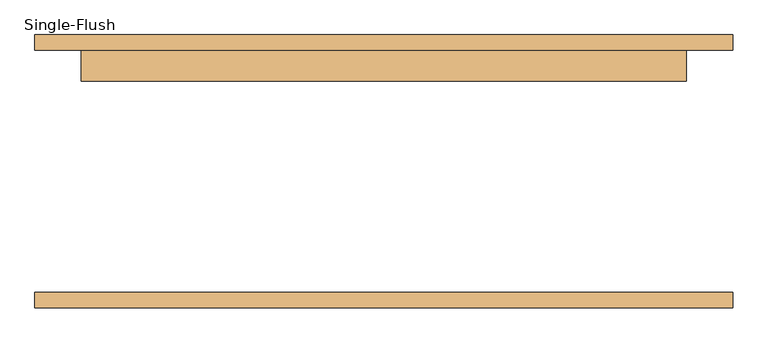
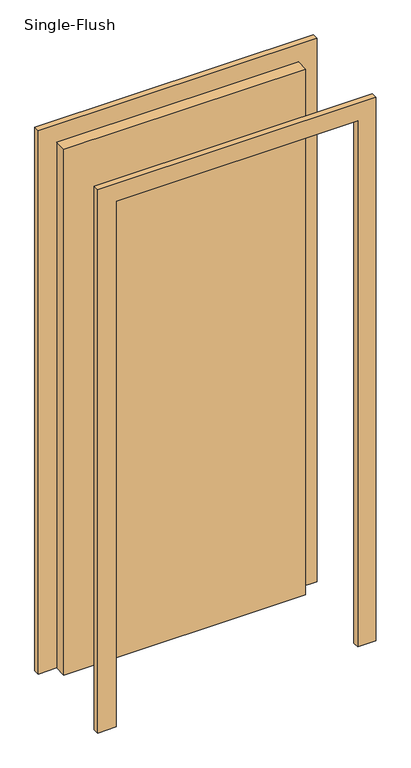
"""IFC4 building model written with IfcOpenShell, lengths in millimetres: door geometry, Single-Flush."""

from ifc_helpers import new_model, si_unit, frame, origin, origin_with_axes, place, context, project, spatial, polyline, outline, extrude, source, transform, mapped, element, save


def single_flush_ac0fe241(model_context):
    return source(origin(), model_context, "Body", "SweptSolid", [
        extrude(outline(polyline([(2376.2, -576.2), (0.0, -576.2), (0.0, -500.0), (2300.0, -500.0), (2300.0, 500.0), (0.0, 500.0), (0.0, 576.2), (2376.2, 576.2), (2376.2, -576.2)])), frame((0.0, 200.0, 0.0), z_axis=(0.0, 1.0, 0.0), x_axis=(0.0, 0.0, 1.0)), (0.0, 0.0, 1.0), 25.4),
        extrude(outline(polyline([(2376.2, 576.2), (2376.2, -576.2), (0.0, -576.2), (0.0, -500.0), (2300.0, -500.0), (2300.0, 500.0), (0.0, 500.0), (0.0, 576.2), (2376.2, 576.2)])), frame((0.0, -225.4, 0.0), z_axis=(0.0, 1.0, 0.0), x_axis=(0.0, 0.0, 1.0)), (0.0, 0.0, 1.0), 25.4),
        extrude(outline(polyline([(500.0, 149.2), (-500.0, 149.2), (-500.0, 200.0), (500.0, 200.0), (500.0, 149.2)])), origin_with_axes(), (0.0, 0.0, 1.0), 2300.0),
    ])


if __name__ == "__main__":
    model = new_model("IFC4")
    model_context = context("Model", 3, world=origin())
    ifc_project = project(units=[si_unit("LENGTHUNIT", "METRE", prefix="MILLI")], contexts=[model_context])
    site = spatial("IfcSite", under=ifc_project)
    building = spatial("IfcBuilding", under=site)
    placement = place(None, origin())
    single_flush_shape = single_flush_ac0fe241(model_context)
    element("IfcDoor", 1, ObjectType="Single-Flush", at=placement, inside=building, context=model_context, shape_type="MappedRepresentation", body=[
        mapped(single_flush_shape, transform((0.0, 0.0, 0.0), x_axis=(1.0, 0.0, 0.0), y_axis=(0.0, 1.0, 0.0), z_axis=(0.0, 0.0, 1.0))),
    ])
    save(model, "model.ifc")
